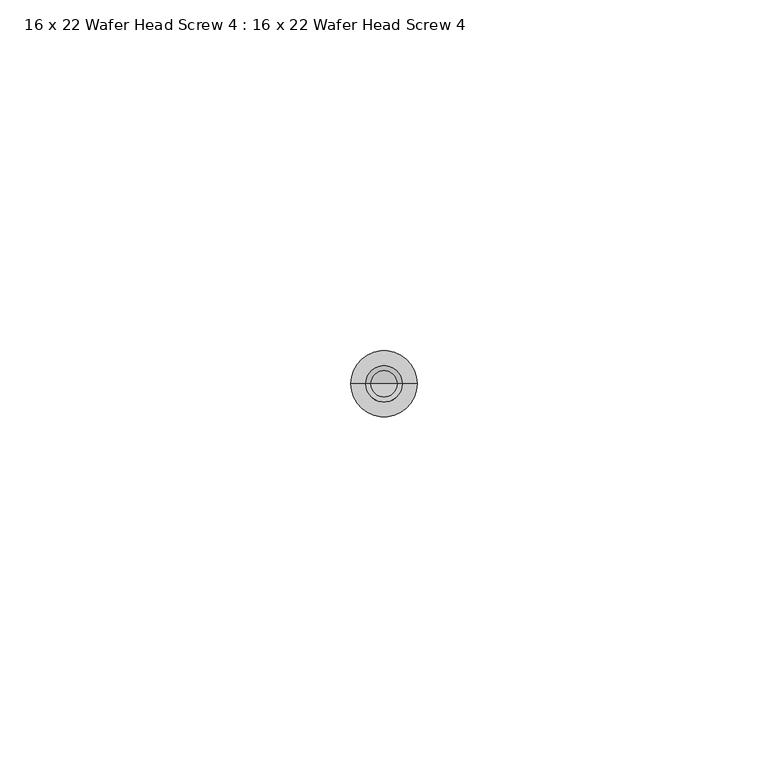
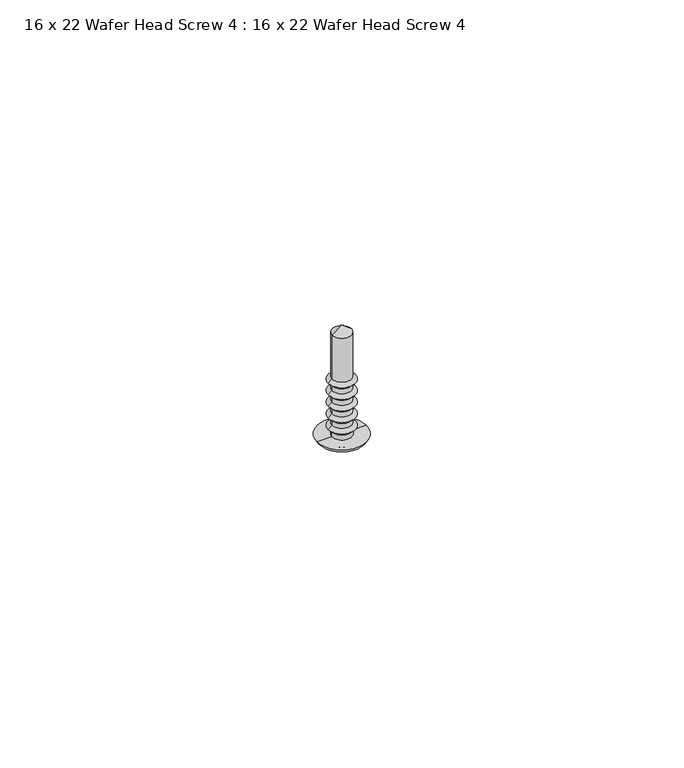
"""IFC4 building model written with IfcOpenShell, lengths in millimetres: proxy geometry, 16 x 22 Wafer Head Screw 4 : 16 x 22 Wafer Head Screw 4."""

from ifc_helpers import new_model, si_unit, point, frame, origin, origin_with_axes, place, context, project, spatial, polyline, circle_curve, ellipse_curve, trimmed, source, transform, mapped, element, save
from ifc_brep_helpers import plane_surface, cylinder_surface, revolved_surface, advanced_brep


def proxy_16_x_22_wafer_head_screw_4_16_x_22_wafer_head_screw_4_f43bc5f4(model_context):
    return source(origin(), model_context, "Body", "AdvancedBrep", [
        advanced_brep(
        [(-1.8554352, 0.0, 11.6700547), (1.8554352, 0.0, 11.6700547), (1.8554352, 0.0, 20.4471271), (-1.8554352, 0.0, 20.4471271), (-2.5766059, 0.0, 11.0431506), (2.5766059, 0.0, 11.0431506), (-1.8554352, 0.0, 10.3219798), (1.8554352, 0.0, 10.3219798), (-1.8554352, 0.0, 9.3360438), (1.8554352, 0.0, 9.3360438), (-2.5766059, 0.0, 8.7091396), (2.5766059, 0.0, 8.7091396), (-1.8554352, 0.0, 7.9879689), (1.8554352, 0.0, 7.9879689), (-1.8554352, 0.0, 7.0020328), (1.8554352, 0.0, 7.0020328), (-2.5766059, 0.0, 6.3751287), (2.5766059, 0.0, 6.3751287), (-1.8554352, 0.0, 5.6539579), (1.8554352, 0.0, 5.6539579), (-1.8554352, 0.0, 4.6680219), (1.8554352, 0.0, 4.6680219), (-2.5766059, 0.0, 4.0411177), (2.5766059, 0.0, 4.0411177), (-1.8554352, 0.0, 3.319947), (1.8554352, 0.0, 3.319947), (-1.8554352, 0.0, 2.3340109), (1.8554352, 0.0, 2.3340109), (-2.5766059, 0.0, 1.7071068), (2.5766059, 0.0, 1.7071068), (-1.8694992, 0.0, 1.0), (1.8694992, 0.0, 1.0), (-1.8694992, 0.0, 0.0), (1.8694992, 0.0, 0.0), (-4.7066403, 0.0, 0.0), (4.7066403, 0.0, 0.0), (-3.2807188, 0.0, -1.0359925), (3.2807188, 0.0, -1.0359925), (-2.2807188, 0.0, -1.0359925), (2.2807188, 0.0, -1.0359925), (-0.8626721, 0.0, -1.8547022), (0.8626721, 0.0, -1.8547022), (0.0, 0.0, -1.8547022), (0.0, 0.0, 21.8452978)],
        [
            (0, 1, circle_curve(frame((0.0, 0.0, 11.6700547), z_axis=(0.0, 0.0, 1.0), x_axis=(1.0, 0.0, 0.0)), 1.8554352)),
            (1, 2),
            (2, 3, circle_curve(frame((0.0, 0.0, 20.4471271), z_axis=(0.0, 0.0, -1.0), x_axis=(1.0, 0.0, 0.0)), 1.8554352)),
            (3, 0),
            (1, 0, circle_curve(frame((0.0, 0.0, 11.6700547), z_axis=(0.0, 0.0, 1.0), x_axis=(1.0, 0.0, 0.0)), 1.8554352)),
            (3, 2, circle_curve(frame((0.0, 0.0, 20.4471271), z_axis=(0.0, 0.0, -1.0), x_axis=(1.0, 0.0, 0.0)), 1.8554352)),
            (4, 5, circle_curve(frame((0.0, 0.0, 11.0431506), z_axis=(0.0, 0.0, 1.0), x_axis=(1.0, 0.0, 0.0)), 2.5766059)),
            (5, 1),
            (0, 4),
            (5, 4, circle_curve(frame((0.0, 0.0, 11.0431506), z_axis=(0.0, 0.0, 1.0), x_axis=(1.0, 0.0, 0.0)), 2.5766059)),
            (6, 7, circle_curve(frame((0.0, 0.0, 10.3219798), z_axis=(0.0, 0.0, 1.0), x_axis=(1.0, 0.0, 0.0)), 1.8554352)),
            (7, 5),
            (4, 6),
            (7, 6, circle_curve(frame((0.0, 0.0, 10.3219798), z_axis=(0.0, 0.0, 1.0), x_axis=(1.0, 0.0, 0.0)), 1.8554352)),
            (8, 9, circle_curve(frame((0.0, 0.0, 9.3360438), z_axis=(0.0, 0.0, 1.0), x_axis=(1.0, 0.0, 0.0)), 1.8554352)),
            (9, 7),
            (6, 8),
            (9, 8, circle_curve(frame((0.0, 0.0, 9.3360438), z_axis=(0.0, 0.0, 1.0), x_axis=(1.0, 0.0, 0.0)), 1.8554352)),
            (10, 11, circle_curve(frame((0.0, 0.0, 8.7091396), z_axis=(0.0, 0.0, 1.0), x_axis=(1.0, 0.0, 0.0)), 2.5766059)),
            (11, 9),
            (8, 10),
            (11, 10, circle_curve(frame((0.0, 0.0, 8.7091396), z_axis=(0.0, 0.0, 1.0), x_axis=(1.0, 0.0, 0.0)), 2.5766059)),
            (12, 13, circle_curve(frame((0.0, 0.0, 7.9879689), z_axis=(0.0, 0.0, 1.0), x_axis=(1.0, 0.0, 0.0)), 1.8554352)),
            (13, 11),
            (10, 12),
            (13, 12, circle_curve(frame((0.0, 0.0, 7.9879689), z_axis=(0.0, 0.0, 1.0), x_axis=(1.0, 0.0, 0.0)), 1.8554352)),
            (14, 15, circle_curve(frame((0.0, 0.0, 7.0020328), z_axis=(0.0, 0.0, 1.0), x_axis=(1.0, 0.0, 0.0)), 1.8554352)),
            (15, 13),
            (12, 14),
            (15, 14, circle_curve(frame((0.0, 0.0, 7.0020328), z_axis=(0.0, 0.0, 1.0), x_axis=(1.0, 0.0, 0.0)), 1.8554352)),
            (16, 17, circle_curve(frame((0.0, 0.0, 6.3751287), z_axis=(0.0, 0.0, 1.0), x_axis=(1.0, 0.0, 0.0)), 2.5766059)),
            (17, 15),
            (14, 16),
            (17, 16, circle_curve(frame((0.0, 0.0, 6.3751287), z_axis=(0.0, 0.0, 1.0), x_axis=(1.0, 0.0, 0.0)), 2.5766059)),
            (18, 19, circle_curve(frame((0.0, 0.0, 5.6539579), z_axis=(0.0, 0.0, 1.0), x_axis=(1.0, 0.0, 0.0)), 1.8554352)),
            (19, 17),
            (16, 18),
            (19, 18, circle_curve(frame((0.0, 0.0, 5.6539579), z_axis=(0.0, 0.0, 1.0), x_axis=(1.0, 0.0, 0.0)), 1.8554352)),
            (20, 21, circle_curve(frame((0.0, 0.0, 4.6680219), z_axis=(0.0, 0.0, 1.0), x_axis=(1.0, 0.0, 0.0)), 1.8554352)),
            (21, 19),
            (18, 20),
            (21, 20, circle_curve(frame((0.0, 0.0, 4.6680219), z_axis=(0.0, 0.0, 1.0), x_axis=(1.0, 0.0, 0.0)), 1.8554352)),
            (22, 23, circle_curve(frame((0.0, 0.0, 4.0411177), z_axis=(0.0, 0.0, 1.0), x_axis=(1.0, 0.0, 0.0)), 2.5766059)),
            (23, 21),
            (20, 22),
            (23, 22, circle_curve(frame((0.0, 0.0, 4.0411177), z_axis=(0.0, 0.0, 1.0), x_axis=(1.0, 0.0, 0.0)), 2.5766059)),
            (24, 25, circle_curve(frame((0.0, 0.0, 3.319947), z_axis=(0.0, 0.0, 1.0), x_axis=(1.0, 0.0, 0.0)), 1.8554352)),
            (25, 23),
            (22, 24),
            (25, 24, circle_curve(frame((0.0, 0.0, 3.319947), z_axis=(0.0, 0.0, 1.0), x_axis=(1.0, 0.0, 0.0)), 1.8554352)),
            (26, 27, circle_curve(frame((0.0, 0.0, 2.3340109), z_axis=(0.0, 0.0, 1.0), x_axis=(1.0, 0.0, 0.0)), 1.8554352)),
            (27, 25),
            (24, 26),
            (27, 26, circle_curve(frame((0.0, 0.0, 2.3340109), z_axis=(0.0, 0.0, 1.0), x_axis=(1.0, 0.0, 0.0)), 1.8554352)),
            (28, 29, circle_curve(frame((0.0, 0.0, 1.7071068), z_axis=(0.0, 0.0, 1.0), x_axis=(1.0, 0.0, 0.0)), 2.5766059)),
            (29, 27),
            (26, 28),
            (29, 28, circle_curve(frame((0.0, 0.0, 1.7071068), z_axis=(0.0, 0.0, 1.0), x_axis=(1.0, 0.0, 0.0)), 2.5766059)),
            (30, 31, circle_curve(frame((0.0, 0.0, 1.0), z_axis=(0.0, 0.0, 1.0), x_axis=(1.0, 0.0, 0.0)), 1.8694992)),
            (31, 29),
            (28, 30),
            (31, 30, circle_curve(frame((0.0, 0.0, 1.0), z_axis=(0.0, 0.0, 1.0), x_axis=(1.0, 0.0, 0.0)), 1.8694992)),
            (32, 33, circle_curve(origin_with_axes(), 1.8694992)),
            (33, 31),
            (30, 32),
            (33, 32, circle_curve(origin_with_axes(), 1.8694992)),
            (34, 35, circle_curve(origin_with_axes(), 4.7066403)),
            (35, 33),
            (32, 34),
            (35, 34, circle_curve(origin_with_axes(), 4.7066403)),
            (36, 37, circle_curve(frame((0.0, 0.0, -1.0359925), z_axis=(0.0, 0.0, 1.0), x_axis=(1.0, 0.0, 0.0)), 3.2807188)),
            (37, 35, circle_curve(frame((3.3352308, 0.0, 0.3882807), z_axis=(0.0, -1.0, 0.0), x_axis=(0.0, 0.0, -1.0)), 1.425316)),
            (34, 36, circle_curve(frame((-3.3352308, 0.0, 0.3882807), z_axis=(0.0, -1.0, 0.0), x_axis=(0.0, 0.0, -1.0)), 1.425316)),
            (37, 36, circle_curve(frame((0.0, 0.0, -1.0359925), z_axis=(0.0, 0.0, 1.0), x_axis=(1.0, 0.0, 0.0)), 3.2807188)),
            (38, 39, circle_curve(frame((0.0, 0.0, -1.0359925), z_axis=(0.0, 0.0, 1.0), x_axis=(1.0, 0.0, 0.0)), 2.2807188)),
            (39, 37),
            (36, 38),
            (39, 38, circle_curve(frame((0.0, 0.0, -1.0359925), z_axis=(0.0, 0.0, 1.0), x_axis=(1.0, 0.0, 0.0)), 2.2807188)),
            (40, 41, circle_curve(frame((0.0, 0.0, -1.8547022), z_axis=(0.0, 0.0, 1.0), x_axis=(1.0, 0.0, 0.0)), 0.8626721)),
            (41, 39, circle_curve(frame((0.8939585, 0.0, -0.2714724), z_axis=(0.0, -1.0, 0.0), x_axis=(0.0, 0.0, -1.0)), 1.5835389)),
            (38, 40, circle_curve(frame((-0.8939585, 0.0, -0.2714724), z_axis=(0.0, -1.0, 0.0), x_axis=(0.0, 0.0, -1.0)), 1.5835389)),
            (41, 40, circle_curve(frame((0.0, 0.0, -1.8547022), z_axis=(0.0, 0.0, 1.0), x_axis=(1.0, 0.0, 0.0)), 0.8626721)),
            (42, 41),
            (40, 42),
            (2, 43),
            (43, 3),
        ],
        [
            cylinder_surface(frame((0.0, 0.0, 22.2103269), z_axis=(0.0, 0.0, -1.0), x_axis=(1.0, 0.0, 0.0)), 1.8554352),
            revolved_surface(polyline([(1.8554352, 0.0, 11.6700547), (2.5766059, 0.0, 11.0431506)]), (0.0, 0.0, 22.2103269), (0.0, 0.0, -1.0)),
            revolved_surface(polyline([(2.5766059, 0.0, 11.0431506), (1.8554352, 0.0, 10.3219798)]), (0.0, 0.0, 22.2103269), (0.0, 0.0, -1.0)),
            revolved_surface(polyline([(1.8554352, 0.0, 9.3360438), (2.5766059, 0.0, 8.7091396)]), (0.0, 0.0, 22.2103269), (0.0, 0.0, -1.0)),
            revolved_surface(polyline([(2.5766059, 0.0, 8.7091396), (1.8554352, 0.0, 7.9879689)]), (0.0, 0.0, 22.2103269), (0.0, 0.0, -1.0)),
            revolved_surface(polyline([(1.8554352, 0.0, 7.0020328), (2.5766059, 0.0, 6.3751287)]), (0.0, 0.0, 22.2103269), (0.0, 0.0, -1.0)),
            revolved_surface(polyline([(2.5766059, 0.0, 6.3751287), (1.8554352, 0.0, 5.6539579)]), (0.0, 0.0, 22.2103269), (0.0, 0.0, -1.0)),
            revolved_surface(polyline([(1.8554352, 0.0, 4.6680219), (2.5766059, 0.0, 4.0411177)]), (0.0, 0.0, 22.2103269), (0.0, 0.0, -1.0)),
            revolved_surface(polyline([(2.5766059, 0.0, 4.0411177), (1.8554352, 0.0, 3.319947)]), (0.0, 0.0, 22.2103269), (0.0, 0.0, -1.0)),
            revolved_surface(polyline([(1.8554352, 0.0, 2.3340109), (2.5766059, 0.0, 1.7071068)]), (0.0, 0.0, 22.2103269), (0.0, 0.0, -1.0)),
            revolved_surface(polyline([(2.5766059, 0.0, 1.7071068), (1.8694992, 0.0, 1.0)]), (0.0, 0.0, 22.2103269), (0.0, 0.0, -1.0)),
            cylinder_surface(frame((0.0, 0.0, 22.2103269), z_axis=(0.0, 0.0, -1.0), x_axis=(1.0, 0.0, 0.0)), 1.8694992),
            plane_surface(origin_with_axes()),
            revolved_surface(trimmed(ellipse_curve(frame((3.3352308, 0.0, 0.3882807), z_axis=(0.0, 1.0, 0.0), x_axis=(0.0, 0.0, -1.0)), 1.425316, 1.425316), [point((4.7066403, 0.0, 0.0))], [point((3.2807188, 0.0, -1.0359925))], True, "CARTESIAN"), (0.0, 0.0, 22.2103269), (0.0, 0.0, -1.0)),
            plane_surface(frame((0.0, 0.0, -1.0359925), z_axis=(0.0, 0.0, -1.0), x_axis=(1.0, 0.0, 0.0))),
            revolved_surface(trimmed(ellipse_curve(frame((0.8939585, 0.0, -0.2714724), z_axis=(0.0, 1.0, 0.0), x_axis=(0.0, 0.0, -1.0)), 1.5835389, 1.5835389), [point((2.2807188, 0.0, -1.0359925))], [point((0.8626721, 0.0, -1.8547022))], True, "CARTESIAN"), (0.0, 0.0, 22.2103269), (0.0, 0.0, -1.0)),
            plane_surface(frame((0.0, 0.0, -1.8547022), z_axis=(0.0, 0.0, -1.0), x_axis=(1.0, 0.0, 0.0))),
            revolved_surface(polyline([(0.0, 0.0, 21.8452978), (1.8554352, 0.0, 20.4471271)]), (0.0, 0.0, 22.2103269), (0.0, 0.0, -1.0)),
        ],
        [
            (0, [[1, 2, 3, 4]]),
            (0, [[5, -4, 6, -2]]),
            (1, [[7, 8, -1, 9]]),
            (1, [[10, -9, -5, -8]]),
            (2, [[11, 12, -7, 13]]),
            (2, [[14, -13, -10, -12]]),
            (0, [[15, 16, -11, 17]]),
            (0, [[18, -17, -14, -16]]),
            (3, [[19, 20, -15, 21]]),
            (3, [[22, -21, -18, -20]]),
            (4, [[23, 24, -19, 25]]),
            (4, [[26, -25, -22, -24]]),
            (0, [[27, 28, -23, 29]]),
            (0, [[30, -29, -26, -28]]),
            (5, [[31, 32, -27, 33]]),
            (5, [[34, -33, -30, -32]]),
            (6, [[35, 36, -31, 37]]),
            (6, [[38, -37, -34, -36]]),
            (0, [[39, 40, -35, 41]]),
            (0, [[42, -41, -38, -40]]),
            (7, [[43, 44, -39, 45]]),
            (7, [[46, -45, -42, -44]]),
            (8, [[47, 48, -43, 49]]),
            (8, [[50, -49, -46, -48]]),
            (0, [[51, 52, -47, 53]]),
            (0, [[54, -53, -50, -52]]),
            (9, [[55, 56, -51, 57]]),
            (9, [[58, -57, -54, -56]]),
            (10, [[59, 60, -55, 61]]),
            (10, [[62, -61, -58, -60]]),
            (11, [[63, 64, -59, 65]]),
            (11, [[66, -65, -62, -64]]),
            (12, [[67, 68, -63, 69]]),
            (12, [[70, -69, -66, -68]]),
            (13, [[71, 72, -67, 73]]),
            (13, [[74, -73, -70, -72]]),
            (14, [[75, 76, -71, 77]]),
            (14, [[78, -77, -74, -76]]),
            (15, [[79, 80, -75, 81]]),
            (15, [[82, -81, -78, -80]]),
            (16, [[83, -79, 84]]),
            (16, [[-84, -82, -83]]),
            (17, [[-3, 85, 86]]),
            (17, [[-6, -86, -85]]),
        ],
    ),
    ])


if __name__ == "__main__":
    model = new_model("IFC4")
    model_context = context("Model", 3, world=origin())
    ifc_project = project(units=[si_unit("LENGTHUNIT", "METRE", prefix="MILLI")], contexts=[model_context])
    site = spatial("IfcSite", under=ifc_project)
    building = spatial("IfcBuilding", under=site)
    placement = place(None, origin())
    proxy_16_x_22_wafer_head_screw_4_16_x_22_wafer_head_screw_4_shape = proxy_16_x_22_wafer_head_screw_4_16_x_22_wafer_head_screw_4_f43bc5f4(model_context)
    element("IfcBuildingElementProxy", 1, Name="16 x 22 Wafer Head Screw 4 : 16 x 22 Wafer Head Screw 4", ObjectType="16 x 22 Wafer Head Screw 4 : 16 x 22 Wafer Head Screw 4", at=placement, inside=building, context=model_context, shape_type="MappedRepresentation", body=[
        mapped(proxy_16_x_22_wafer_head_screw_4_16_x_22_wafer_head_screw_4_shape, transform((0.0, 0.0, 0.0), x_axis=(1.0, 0.0, 0.0), y_axis=(0.0, 1.0, 0.0), z_axis=(0.0, 0.0, 1.0))),
    ])
    save(model, "model.ifc")
